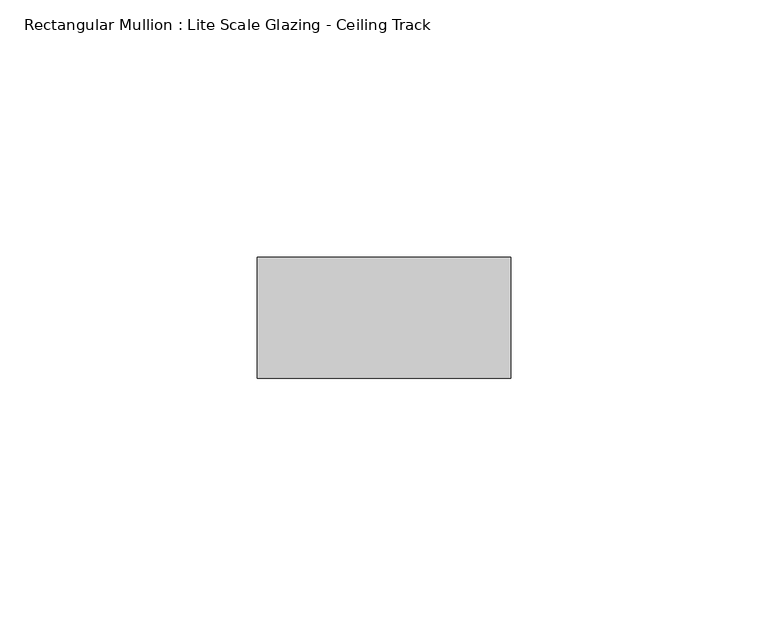
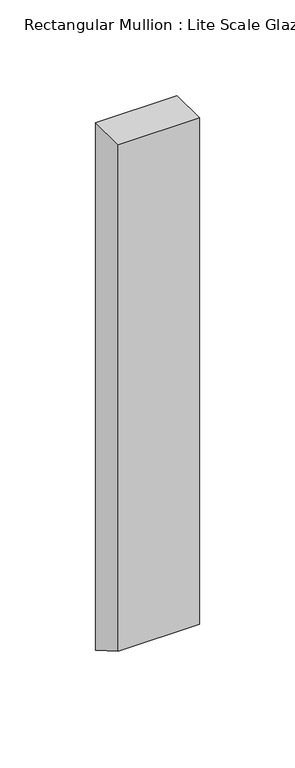
"""IFC4 building model written with IfcOpenShell, lengths in millimetres: member geometry, Rectangular Mullion : Lite Scale Glazing - Ceiling Track."""

import ifcopenshell
import ifcopenshell.guid

model = None  # the IFC model being written
_history = None  # IfcOwnerHistory: only IFC2X3 demands one
_inside = {}  # id of a spatial element -> (the spatial element, [elements in it])
_under = {}  # id of a project, library or spatial element -> (it, [spatial elements below it])
_declared = {}  # id of a project -> (the project, [libraries it declares])
_typed = {}  # id of a type object -> (the type object, [elements of that type])
_made_of = {}  # id of a material, layer set ... -> (it, [elements and type objects made of it])


def new_model(schema):
    """Start an empty IFC model of exactly this schema.

    Asked for "IFC4X3", IfcOpenShell would pick the latest addendum, in which some entities
    have other attributes; the version numbers below select the first issue.
    IFC2X3 requires an IfcOwnerHistory on every rooted entity: one is made here for all.
    """
    global model, _history
    if schema == "IFC4X3":
        model = ifcopenshell.file(schema_version=(4, 3, 0, 0))
    else:
        model = ifcopenshell.file(schema=schema)
    _inside.clear()
    _under.clear()
    _declared.clear()
    _typed.clear()
    _made_of.clear()
    _history = None
    if model.schema == "IFC2X3":
        org = make("IfcOrganization", Name="unknown")
        user = make(
            "IfcPersonAndOrganization",
            ThePerson=make("IfcPerson", FamilyName="unknown"),
            TheOrganization=org,
        )
        app = make(
            "IfcApplication",
            ApplicationDeveloper=org,
            Version="unknown",
            ApplicationFullName="unknown",
            ApplicationIdentifier="unknown",
        )
        _history = make(
            "IfcOwnerHistory",
            OwningUser=user,
            OwningApplication=app,
            ChangeAction="ADDED",
            CreationDate=0,
        )
    return model


def make(cls, **values):
    """One entity of the class cls with the attributes given. An attribute that is None is left unset."""
    return model.create_entity(
        cls, **{name: value for name, value in values.items() if value is not None}
    )


def rooted(cls, **values):
    """An entity with a GlobalId (a new one), such as an element, a storey or a relation."""
    return make(cls, GlobalId=ifcopenshell.guid.new(), OwnerHistory=_history, **values)


def si_unit(unit_type, name, prefix=None):
    """IfcSIUnit, for example si_unit("LENGTHUNIT", "METRE", prefix="MILLI")."""
    return make("IfcSIUnit", UnitType=unit_type, Prefix=prefix, Name=name)


def assignment(units):
    """IfcUnitAssignment: the units of a project."""
    return None if units is None else make("IfcUnitAssignment", Units=units)


def point(xyz):
    """IfcCartesianPoint."""
    return None if xyz is None else make("IfcCartesianPoint", Coordinates=xyz)


def direction(xyz):
    """IfcDirection."""
    return None if xyz is None else make("IfcDirection", DirectionRatios=xyz)


def frame(location, z_axis=None, x_axis=None):
    """IfcAxis2Placement3D, a coordinate frame: its origin and axes. An axis left out is left unset."""
    return make(
        "IfcAxis2Placement3D",
        Location=point(location),
        Axis=direction(z_axis),
        RefDirection=direction(x_axis),
    )


def origin():
    """The frame at (0, 0, 0) with its axes left unset."""
    return frame((0.0, 0.0, 0.0))


def place(relative_to, where):
    """IfcLocalPlacement: puts the frame where relative to a parent placement (None: the world)."""
    return make(
        "IfcLocalPlacement", PlacementRelTo=relative_to, RelativePlacement=where
    )


def context(
    kind, dimensions, precision=None, world=None, true_north=None, identifier=None
):
    """IfcGeometricRepresentationContext, for example the 3D "Model" context."""
    return make(
        "IfcGeometricRepresentationContext",
        ContextIdentifier=identifier,
        ContextType=kind,
        CoordinateSpaceDimension=dimensions,
        Precision=precision,
        WorldCoordinateSystem=world,
        TrueNorth=true_north,
    )


def project(units=None, contexts=None):
    """IfcProject with its units and contexts."""
    return rooted(
        "IfcProject",
        Name="project",
        RepresentationContexts=contexts,
        UnitsInContext=assignment(units),
    )


def spatial(cls, under=None, at=None, **own):
    """A site, building, storey or space (cls), placed at a placement, below another one or the project."""
    s = rooted(cls, ObjectPlacement=at, **own)
    if under is not None:
        _under.setdefault(under.id(), (under, []))[1].append(s)
    return s


def polyline(points):
    """IfcPolyline through the points."""
    return make("IfcPolyline", Points=[point(p) for p in points])


def outline(outer, holes=None, kind="AREA"):
    """IfcArbitraryClosedProfileDef: a profile drawn as a closed curve; with holes, ...WithVoids."""
    if holes is None:
        return make("IfcArbitraryClosedProfileDef", ProfileType=kind, OuterCurve=outer)
    return make(
        "IfcArbitraryProfileDefWithVoids",
        ProfileType=kind,
        OuterCurve=outer,
        InnerCurves=holes,
    )


def extrude(swept, where, along, depth):
    """IfcExtrudedAreaSolid: the profile swept, set in the frame where, extruded along a direction by depth."""
    return make(
        "IfcExtrudedAreaSolid",
        SweptArea=swept,
        Position=where,
        ExtrudedDirection=direction(along),
        Depth=depth,
    )


def shape(context_of_items, identifier, shape_type, items):
    """IfcShapeRepresentation: the items that make up one representation, for example the "Body"."""
    return make(
        "IfcShapeRepresentation",
        ContextOfItems=context_of_items,
        RepresentationIdentifier=identifier,
        RepresentationType=shape_type,
        Items=items,
    )


def source(mapping_origin, context_of_items, identifier, shape_type, items):
    """IfcRepresentationMap: a shape defined once, which mapped items show again and again."""
    return make(
        "IfcRepresentationMap",
        MappingOrigin=mapping_origin,
        MappedRepresentation=shape(context_of_items, identifier, shape_type, items),
    )


def transform(
    local_origin,
    x_axis=None,
    y_axis=None,
    z_axis=None,
    scale=None,
    scale2=None,
    scale3=None,
    uniform=True,
):
    """IfcCartesianTransformationOperator3D, or its non-uniform kind. x_axis, y_axis, z_axis: its Axis1, 2, 3."""
    if uniform:
        return make(
            "IfcCartesianTransformationOperator3D",
            Axis1=direction(x_axis),
            Axis2=direction(y_axis),
            LocalOrigin=point(local_origin),
            Scale=scale,
            Axis3=direction(z_axis),
        )
    return make(
        "IfcCartesianTransformationOperator3DnonUniform",
        Axis1=direction(x_axis),
        Axis2=direction(y_axis),
        LocalOrigin=point(local_origin),
        Scale=scale,
        Axis3=direction(z_axis),
        Scale2=scale2,
        Scale3=scale3,
    )


def mapped(mapping_source, mapping_target):
    """IfcMappedItem: shows the shape of a source again, moved by a transform."""
    return make(
        "IfcMappedItem", MappingSource=mapping_source, MappingTarget=mapping_target
    )


def made_of(thing, what):
    """Note that an element or type object is made of a material, layer set ...; save() writes the relation."""
    if what is not None:
        _made_of.setdefault(what.id(), (what, []))[1].append(thing)
    return thing


def element(
    cls,
    number,
    at=None,
    inside=None,
    cuts=None,
    type_object=None,
    material=None,
    context=None,
    identifier="Body",
    shape_type=None,
    held_by="IfcProductDefinitionShape",
    body=None,
    shapes=None,
    **own,
):
    """One element of the class cls, such as IfcWall. Its Tag is "e" and its number.

    at: its placement. inside: the storey or other place that contains it. cuts: it is an
    opening in that element (IfcRelVoidsElement). A single representation is given by context,
    identifier, shape_type and body (its items); several are given by shapes. held_by: the class
    of the entity that holds the representations. save() writes the other relations.
    """
    e = rooted(cls, Tag="e%d" % number, ObjectPlacement=at, **own)
    if body is not None:
        shapes = [shape(context, identifier, shape_type, body)]
    if shapes is not None:
        e.Representation = make(held_by, Representations=shapes)
    if inside is not None:
        _inside.setdefault(inside.id(), (inside, []))[1].append(e)
    if cuts is not None:
        rooted(
            "IfcRelVoidsElement", RelatingBuildingElement=cuts, RelatedOpeningElement=e
        )
    if type_object is not None:
        _typed.setdefault(type_object.id(), (type_object, []))[1].append(e)
    return made_of(e, material)


def aggregate(whole, parts):
    """IfcRelAggregates: a whole, such as a stair, and the parts it consists of."""
    return rooted("IfcRelAggregates", RelatingObject=whole, RelatedObjects=parts)


def save(model, path):
    """Write the relations noted so far, then the file.

    IfcRelAggregates (storeys below a building ...), IfcRelContainedInSpatialStructure (elements
    in a storey), IfcRelDefinesByType, IfcRelAssociatesMaterial and IfcRelDeclares: one each for
    every whole, place, type object, material and project.
    """
    for whole, parts in _under.values():
        aggregate(whole, parts)
    for where, things in _inside.values():
        rooted(
            "IfcRelContainedInSpatialStructure",
            RelatedElements=things,
            RelatingStructure=where,
        )
    for kind, things in _typed.values():
        rooted("IfcRelDefinesByType", RelatedObjects=things, RelatingType=kind)
    for what, things in _made_of.values():
        rooted("IfcRelAssociatesMaterial", RelatedObjects=things, RelatingMaterial=what)
    for by, libraries in _declared.values():
        rooted("IfcRelDeclares", RelatingContext=by, RelatedDefinitions=libraries)
    model.write(path)


def rectangular_mullion_lite_scale_glazing_ceiling_track_ae117c09(model_context):
    return source(origin(), model_context, "Body", "SweptSolid", [
        extrude(outline(polyline([(-11.7474999, 0.0), (11.7474999, 0.0), (11.7474999, -336.9824222), (-11.7474999, -323.4175778), (-11.7474999, 0.0)])), frame((-49.276, 0.0, 0.0), z_axis=(1.0, 0.0, 0.0), x_axis=(0.0, 1.0, 0.0)), (0.0, 0.0, 1.0), 49.276),
    ])


if __name__ == "__main__":
    model = new_model("IFC4")
    model_context = context("Model", 3, world=origin())
    ifc_project = project(units=[si_unit("LENGTHUNIT", "METRE", prefix="MILLI")], contexts=[model_context])
    site = spatial("IfcSite", under=ifc_project)
    building = spatial("IfcBuilding", under=site)
    placement = place(None, origin())
    rectangular_mullion_lite_scale_glazing_ceiling_track_shape = rectangular_mullion_lite_scale_glazing_ceiling_track_ae117c09(model_context)
    element("IfcMember", 1, ObjectType="Rectangular Mullion : Lite Scale Glazing - Ceiling Track", at=placement, inside=building, context=model_context, shape_type="MappedRepresentation", body=[
        mapped(rectangular_mullion_lite_scale_glazing_ceiling_track_shape, transform((0.0, 0.0, 0.0), x_axis=(1.0, 0.0, 0.0), y_axis=(0.0, 1.0, 0.0), z_axis=(0.0, 0.0, 1.0))),
    ])
    save(model, "model.ifc")
